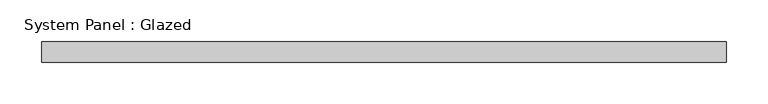
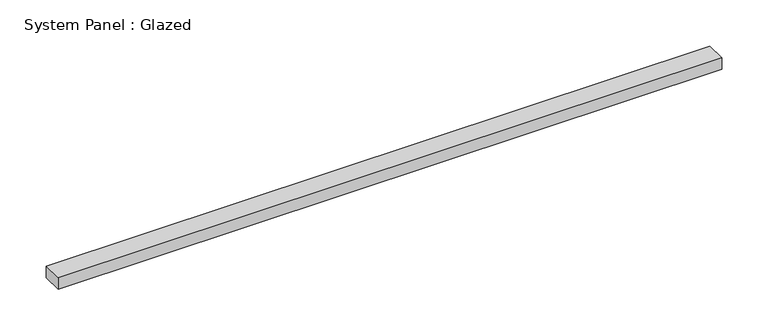
"""IFC4 building model written with IfcOpenShell, lengths in millimetres: plate geometry, System Panel : Glazed."""

from ifc_helpers import new_model, si_unit, origin, origin_with_axes, place, context, project, spatial, polyline, outline, extrude, source, transform, mapped, element, save


def system_panel_glazed_b3241c3c(model_context):
    return source(origin(), model_context, "Body", "SweptSolid", [
        extrude(outline(polyline([(412.5, 24.5), (-412.5, 24.5), (-412.5, 49.5), (412.5, 49.5), (412.5, 24.5)])), origin_with_axes(), (0.0, 0.0, 1.0), 15.0),
    ])


if __name__ == "__main__":
    model = new_model("IFC4")
    model_context = context("Model", 3, world=origin())
    ifc_project = project(units=[si_unit("LENGTHUNIT", "METRE", prefix="MILLI")], contexts=[model_context])
    site = spatial("IfcSite", under=ifc_project)
    building = spatial("IfcBuilding", under=site)
    placement = place(None, origin())
    system_panel_glazed_shape = system_panel_glazed_b3241c3c(model_context)
    element("IfcPlate", 1, ObjectType="System Panel : Glazed", at=placement, inside=building, context=model_context, shape_type="MappedRepresentation", body=[
        mapped(system_panel_glazed_shape, transform((0.0, 0.0, 0.0), x_axis=(1.0, 0.0, 0.0), y_axis=(0.0, 1.0, 0.0), z_axis=(0.0, 0.0, 1.0))),
    ])
    save(model, "model.ifc")
